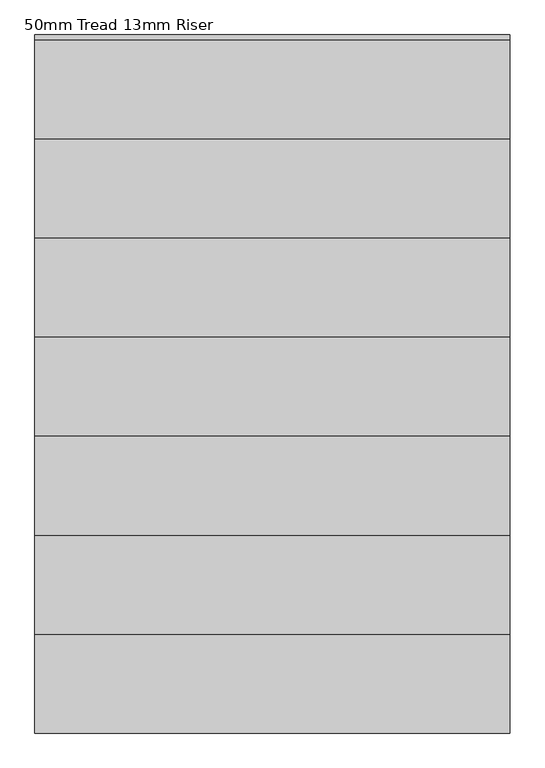
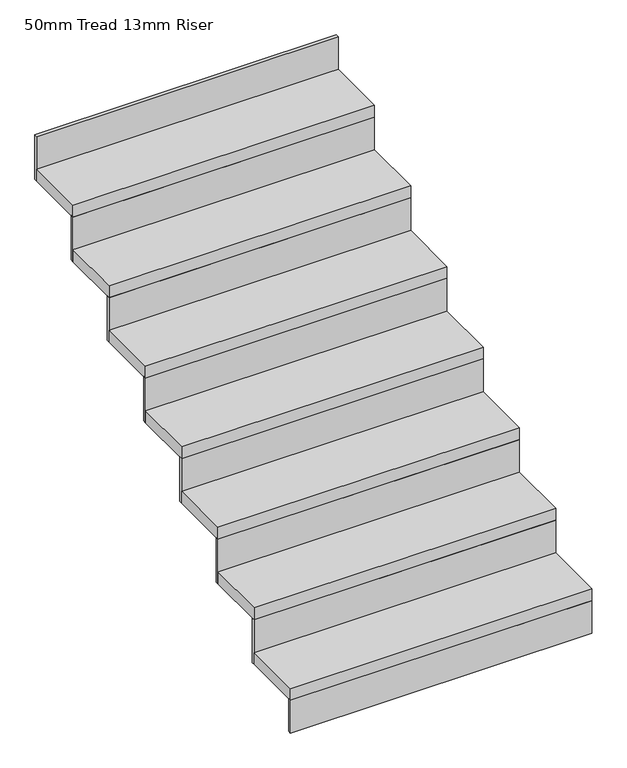
"""IFC4 building model written with IfcOpenShell, lengths in millimetres: stair flight geometry, 50mm Tread 13mm Riser."""

import ifcopenshell
import ifcopenshell.guid

model = None  # the IFC model being written
_history = None  # IfcOwnerHistory: only IFC2X3 demands one
_inside = {}  # id of a spatial element -> (the spatial element, [elements in it])
_under = {}  # id of a project, library or spatial element -> (it, [spatial elements below it])
_declared = {}  # id of a project -> (the project, [libraries it declares])
_typed = {}  # id of a type object -> (the type object, [elements of that type])
_made_of = {}  # id of a material, layer set ... -> (it, [elements and type objects made of it])


def new_model(schema):
    """Start an empty IFC model of exactly this schema.

    Asked for "IFC4X3", IfcOpenShell would pick the latest addendum, in which some entities
    have other attributes; the version numbers below select the first issue.
    IFC2X3 requires an IfcOwnerHistory on every rooted entity: one is made here for all.
    """
    global model, _history
    if schema == "IFC4X3":
        model = ifcopenshell.file(schema_version=(4, 3, 0, 0))
    else:
        model = ifcopenshell.file(schema=schema)
    _inside.clear()
    _under.clear()
    _declared.clear()
    _typed.clear()
    _made_of.clear()
    _history = None
    if model.schema == "IFC2X3":
        org = make("IfcOrganization", Name="unknown")
        user = make(
            "IfcPersonAndOrganization",
            ThePerson=make("IfcPerson", FamilyName="unknown"),
            TheOrganization=org,
        )
        app = make(
            "IfcApplication",
            ApplicationDeveloper=org,
            Version="unknown",
            ApplicationFullName="unknown",
            ApplicationIdentifier="unknown",
        )
        _history = make(
            "IfcOwnerHistory",
            OwningUser=user,
            OwningApplication=app,
            ChangeAction="ADDED",
            CreationDate=0,
        )
    return model


def make(cls, **values):
    """One entity of the class cls with the attributes given. An attribute that is None is left unset."""
    return model.create_entity(
        cls, **{name: value for name, value in values.items() if value is not None}
    )


def rooted(cls, **values):
    """An entity with a GlobalId (a new one), such as an element, a storey or a relation."""
    return make(cls, GlobalId=ifcopenshell.guid.new(), OwnerHistory=_history, **values)


def si_unit(unit_type, name, prefix=None):
    """IfcSIUnit, for example si_unit("LENGTHUNIT", "METRE", prefix="MILLI")."""
    return make("IfcSIUnit", UnitType=unit_type, Prefix=prefix, Name=name)


def assignment(units):
    """IfcUnitAssignment: the units of a project."""
    return None if units is None else make("IfcUnitAssignment", Units=units)


def point(xyz):
    """IfcCartesianPoint."""
    return None if xyz is None else make("IfcCartesianPoint", Coordinates=xyz)


def direction(xyz):
    """IfcDirection."""
    return None if xyz is None else make("IfcDirection", DirectionRatios=xyz)


def frame(location, z_axis=None, x_axis=None):
    """IfcAxis2Placement3D, a coordinate frame: its origin and axes. An axis left out is left unset."""
    return make(
        "IfcAxis2Placement3D",
        Location=point(location),
        Axis=direction(z_axis),
        RefDirection=direction(x_axis),
    )


def origin():
    """The frame at (0, 0, 0) with its axes left unset."""
    return frame((0.0, 0.0, 0.0))


def place(relative_to, where):
    """IfcLocalPlacement: puts the frame where relative to a parent placement (None: the world)."""
    return make(
        "IfcLocalPlacement", PlacementRelTo=relative_to, RelativePlacement=where
    )


def context(
    kind, dimensions, precision=None, world=None, true_north=None, identifier=None
):
    """IfcGeometricRepresentationContext, for example the 3D "Model" context."""
    return make(
        "IfcGeometricRepresentationContext",
        ContextIdentifier=identifier,
        ContextType=kind,
        CoordinateSpaceDimension=dimensions,
        Precision=precision,
        WorldCoordinateSystem=world,
        TrueNorth=true_north,
    )


def project(units=None, contexts=None):
    """IfcProject with its units and contexts."""
    return rooted(
        "IfcProject",
        Name="project",
        RepresentationContexts=contexts,
        UnitsInContext=assignment(units),
    )


def spatial(cls, under=None, at=None, **own):
    """A site, building, storey or space (cls), placed at a placement, below another one or the project."""
    s = rooted(cls, ObjectPlacement=at, **own)
    if under is not None:
        _under.setdefault(under.id(), (under, []))[1].append(s)
    return s


def polyline(points):
    """IfcPolyline through the points."""
    return make("IfcPolyline", Points=[point(p) for p in points])


def outline(outer, holes=None, kind="AREA"):
    """IfcArbitraryClosedProfileDef: a profile drawn as a closed curve; with holes, ...WithVoids."""
    if holes is None:
        return make("IfcArbitraryClosedProfileDef", ProfileType=kind, OuterCurve=outer)
    return make(
        "IfcArbitraryProfileDefWithVoids",
        ProfileType=kind,
        OuterCurve=outer,
        InnerCurves=holes,
    )


def extrude(swept, where, along, depth):
    """IfcExtrudedAreaSolid: the profile swept, set in the frame where, extruded along a direction by depth."""
    return make(
        "IfcExtrudedAreaSolid",
        SweptArea=swept,
        Position=where,
        ExtrudedDirection=direction(along),
        Depth=depth,
    )


def shape(context_of_items, identifier, shape_type, items):
    """IfcShapeRepresentation: the items that make up one representation, for example the "Body"."""
    return make(
        "IfcShapeRepresentation",
        ContextOfItems=context_of_items,
        RepresentationIdentifier=identifier,
        RepresentationType=shape_type,
        Items=items,
    )


def source(mapping_origin, context_of_items, identifier, shape_type, items):
    """IfcRepresentationMap: a shape defined once, which mapped items show again and again."""
    return make(
        "IfcRepresentationMap",
        MappingOrigin=mapping_origin,
        MappedRepresentation=shape(context_of_items, identifier, shape_type, items),
    )


def transform(
    local_origin,
    x_axis=None,
    y_axis=None,
    z_axis=None,
    scale=None,
    scale2=None,
    scale3=None,
    uniform=True,
):
    """IfcCartesianTransformationOperator3D, or its non-uniform kind. x_axis, y_axis, z_axis: its Axis1, 2, 3."""
    if uniform:
        return make(
            "IfcCartesianTransformationOperator3D",
            Axis1=direction(x_axis),
            Axis2=direction(y_axis),
            LocalOrigin=point(local_origin),
            Scale=scale,
            Axis3=direction(z_axis),
        )
    return make(
        "IfcCartesianTransformationOperator3DnonUniform",
        Axis1=direction(x_axis),
        Axis2=direction(y_axis),
        LocalOrigin=point(local_origin),
        Scale=scale,
        Axis3=direction(z_axis),
        Scale2=scale2,
        Scale3=scale3,
    )


def mapped(mapping_source, mapping_target):
    """IfcMappedItem: shows the shape of a source again, moved by a transform."""
    return make(
        "IfcMappedItem", MappingSource=mapping_source, MappingTarget=mapping_target
    )


def made_of(thing, what):
    """Note that an element or type object is made of a material, layer set ...; save() writes the relation."""
    if what is not None:
        _made_of.setdefault(what.id(), (what, []))[1].append(thing)
    return thing


def element(
    cls,
    number,
    at=None,
    inside=None,
    cuts=None,
    type_object=None,
    material=None,
    context=None,
    identifier="Body",
    shape_type=None,
    held_by="IfcProductDefinitionShape",
    body=None,
    shapes=None,
    **own,
):
    """One element of the class cls, such as IfcWall. Its Tag is "e" and its number.

    at: its placement. inside: the storey or other place that contains it. cuts: it is an
    opening in that element (IfcRelVoidsElement). A single representation is given by context,
    identifier, shape_type and body (its items); several are given by shapes. held_by: the class
    of the entity that holds the representations. save() writes the other relations.
    """
    e = rooted(cls, Tag="e%d" % number, ObjectPlacement=at, **own)
    if body is not None:
        shapes = [shape(context, identifier, shape_type, body)]
    if shapes is not None:
        e.Representation = make(held_by, Representations=shapes)
    if inside is not None:
        _inside.setdefault(inside.id(), (inside, []))[1].append(e)
    if cuts is not None:
        rooted(
            "IfcRelVoidsElement", RelatingBuildingElement=cuts, RelatedOpeningElement=e
        )
    if type_object is not None:
        _typed.setdefault(type_object.id(), (type_object, []))[1].append(e)
    return made_of(e, material)


def aggregate(whole, parts):
    """IfcRelAggregates: a whole, such as a stair, and the parts it consists of."""
    return rooted("IfcRelAggregates", RelatingObject=whole, RelatedObjects=parts)


def save(model, path):
    """Write the relations noted so far, then the file.

    IfcRelAggregates (storeys below a building ...), IfcRelContainedInSpatialStructure (elements
    in a storey), IfcRelDefinesByType, IfcRelAssociatesMaterial and IfcRelDeclares: one each for
    every whole, place, type object, material and project.
    """
    for whole, parts in _under.values():
        aggregate(whole, parts)
    for where, things in _inside.values():
        rooted(
            "IfcRelContainedInSpatialStructure",
            RelatedElements=things,
            RelatingStructure=where,
        )
    for kind, things in _typed.values():
        rooted("IfcRelDefinesByType", RelatedObjects=things, RelatingType=kind)
    for what, things in _made_of.values():
        rooted("IfcRelAssociatesMaterial", RelatedObjects=things, RelatingMaterial=what)
    for by, libraries in _declared.values():
        rooted("IfcRelDeclares", RelatingContext=by, RelatedDefinitions=libraries)
    model.write(path)


def stair_flight_50mm_tread_13mm_riser_c5546335(model_context):
    return source(origin(), model_context, "Body", "SweptSolid", [
        extrude(outline(polyline([(15879.6955357, 6221.1449078), (15879.6955357, 6208.6449078), (14679.6955357, 6208.6449078), (14679.6955357, 6221.1449078), (15879.6955357, 6221.1449078)])), frame((0.0, 0.0, -3000.0), z_axis=(0.0, 0.0, 1.0), x_axis=(1.0, 0.0, 0.0)), (0.0, 0.0, 1.0), 137.5),
        extrude(outline(polyline([(14679.6955357, 6458.6449078), (15879.6955357, 6458.6449078), (15879.6955357, 6208.6449078), (14679.6955357, 6208.6449078), (14679.6955357, 6458.6449078)])), frame((0.0, 0.0, -2862.5), z_axis=(0.0, 0.0, 1.0), x_axis=(1.0, 0.0, 0.0)), (0.0, 0.0, 1.0), 50.0),
        extrude(outline(polyline([(15879.6955357, 6471.1449078), (15879.6955357, 6458.6449078), (14679.6955357, 6458.6449078), (14679.6955357, 6471.1449078), (15879.6955357, 6471.1449078)])), frame((0.0, 0.0, -2862.5), z_axis=(0.0, 0.0, 1.0), x_axis=(1.0, 0.0, 0.0)), (0.0, 0.0, 1.0), 187.5),
        extrude(outline(polyline([(14679.6955357, 6708.6449078), (15879.6955357, 6708.6449078), (15879.6955357, 6458.6449078), (14679.6955357, 6458.6449078), (14679.6955357, 6708.6449078)])), frame((0.0, 0.0, -2675.0), z_axis=(0.0, 0.0, 1.0), x_axis=(1.0, 0.0, 0.0)), (0.0, 0.0, 1.0), 50.0),
        extrude(outline(polyline([(15879.6955357, 6721.1449078), (15879.6955357, 6708.6449078), (14679.6955357, 6708.6449078), (14679.6955357, 6721.1449078), (15879.6955357, 6721.1449078)])), frame((0.0, 0.0, -2675.0), z_axis=(0.0, 0.0, 1.0), x_axis=(1.0, 0.0, 0.0)), (0.0, 0.0, 1.0), 187.5),
        extrude(outline(polyline([(14679.6955357, 6958.6449078), (15879.6955357, 6958.6449078), (15879.6955357, 6708.6449078), (14679.6955357, 6708.6449078), (14679.6955357, 6958.6449078)])), frame((0.0, 0.0, -2487.5), z_axis=(0.0, 0.0, 1.0), x_axis=(1.0, 0.0, 0.0)), (0.0, 0.0, 1.0), 50.0),
        extrude(outline(polyline([(15879.6955357, 6971.1449078), (15879.6955357, 6958.6449078), (14679.6955357, 6958.6449078), (14679.6955357, 6971.1449078), (15879.6955357, 6971.1449078)])), frame((0.0, 0.0, -2487.5), z_axis=(0.0, 0.0, 1.0), x_axis=(1.0, 0.0, 0.0)), (0.0, 0.0, 1.0), 187.5),
        extrude(outline(polyline([(14679.6955357, 7208.6449078), (15879.6955357, 7208.6449078), (15879.6955357, 6958.6449078), (14679.6955357, 6958.6449078), (14679.6955357, 7208.6449078)])), frame((0.0, 0.0, -2300.0), z_axis=(0.0, 0.0, 1.0), x_axis=(1.0, 0.0, 0.0)), (0.0, 0.0, 1.0), 50.0),
        extrude(outline(polyline([(15879.6955357, 7221.1449078), (15879.6955357, 7208.6449078), (14679.6955357, 7208.6449078), (14679.6955357, 7221.1449078), (15879.6955357, 7221.1449078)])), frame((0.0, 0.0, -2300.0), z_axis=(0.0, 0.0, 1.0), x_axis=(1.0, 0.0, 0.0)), (0.0, 0.0, 1.0), 187.5),
        extrude(outline(polyline([(14679.6955357, 7458.6449078), (15879.6955357, 7458.6449078), (15879.6955357, 7208.6449078), (14679.6955357, 7208.6449078), (14679.6955357, 7458.6449078)])), frame((0.0, 0.0, -2112.5), z_axis=(0.0, 0.0, 1.0), x_axis=(1.0, 0.0, 0.0)), (0.0, 0.0, 1.0), 50.0),
        extrude(outline(polyline([(15879.6955357, 7471.1449078), (15879.6955357, 7458.6449078), (14679.6955357, 7458.6449078), (14679.6955357, 7471.1449078), (15879.6955357, 7471.1449078)])), frame((0.0, 0.0, -2112.5), z_axis=(0.0, 0.0, 1.0), x_axis=(1.0, 0.0, 0.0)), (0.0, 0.0, 1.0), 187.5),
        extrude(outline(polyline([(14679.6955357, 7708.6449078), (15879.6955357, 7708.6449078), (15879.6955357, 7458.6449078), (14679.6955357, 7458.6449078), (14679.6955357, 7708.6449078)])), frame((0.0, 0.0, -1925.0), z_axis=(0.0, 0.0, 1.0), x_axis=(1.0, 0.0, 0.0)), (0.0, 0.0, 1.0), 50.0),
        extrude(outline(polyline([(15879.6955357, 7721.1449078), (15879.6955357, 7708.6449078), (14679.6955357, 7708.6449078), (14679.6955357, 7721.1449078), (15879.6955357, 7721.1449078)])), frame((0.0, 0.0, -1925.0), z_axis=(0.0, 0.0, 1.0), x_axis=(1.0, 0.0, 0.0)), (0.0, 0.0, 1.0), 187.5),
        extrude(outline(polyline([(14679.6955357, 7958.6449078), (15879.6955357, 7958.6449078), (15879.6955357, 7708.6449078), (14679.6955357, 7708.6449078), (14679.6955357, 7958.6449078)])), frame((0.0, 0.0, -1737.5), z_axis=(0.0, 0.0, 1.0), x_axis=(1.0, 0.0, 0.0)), (0.0, 0.0, 1.0), 50.0),
        extrude(outline(polyline([(15879.6955357, 7971.1449078), (15879.6955357, 7958.6449078), (14679.6955357, 7958.6449078), (14679.6955357, 7971.1449078), (15879.6955357, 7971.1449078)])), frame((0.0, 0.0, -1737.5), z_axis=(0.0, 0.0, 1.0), x_axis=(1.0, 0.0, 0.0)), (0.0, 0.0, 1.0), 187.5),
    ])


if __name__ == "__main__":
    model = new_model("IFC4")
    model_context = context("Model", 3, world=origin())
    ifc_project = project(units=[si_unit("LENGTHUNIT", "METRE", prefix="MILLI")], contexts=[model_context])
    site = spatial("IfcSite", under=ifc_project)
    building = spatial("IfcBuilding", under=site)
    placement = place(None, origin())
    stair_flight_50mm_tread_13mm_riser_shape = stair_flight_50mm_tread_13mm_riser_c5546335(model_context)
    element("IfcStairFlight", 1, ObjectType="50mm Tread 13mm Riser", at=placement, inside=building, context=model_context, shape_type="MappedRepresentation", body=[
        mapped(stair_flight_50mm_tread_13mm_riser_shape, transform((0.0, 0.0, 0.0), x_axis=(1.0, 0.0, 0.0), y_axis=(0.0, 1.0, 0.0), z_axis=(0.0, 0.0, 1.0))),
    ])
    save(model, "model.ifc")
